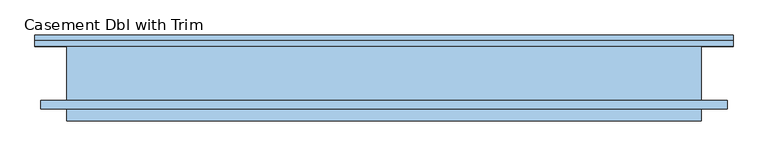
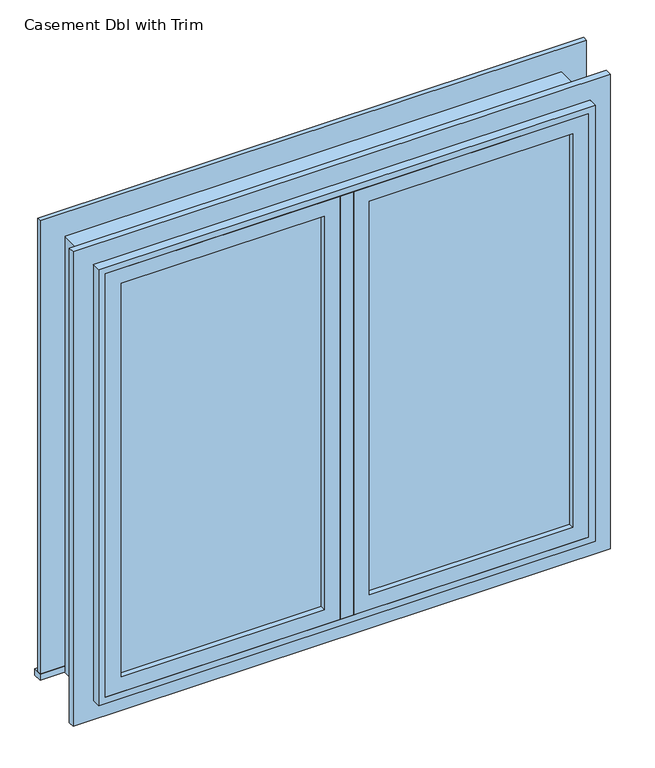
"""IFC4 building model written with IfcOpenShell, lengths in millimetres: window geometry, Casement Dbl with Trim."""

from ifc_helpers import new_model, si_unit, frame, origin, place, context, project, spatial, polyline, outline, extrude, source, transform, mapped, element, save


def casement_dbl_with_trim_30abeba2(model_context):
    return source(origin(), model_context, "Body", "SweptSolid", [
        extrude(outline(polyline([(63.5, -56.825), (636.5, -56.825), (636.5, -69.525), (63.5, -69.525), (63.5, -56.825)])), frame((0.0, 0.0, 977.9), z_axis=(0.0, 0.0, 1.0), x_axis=(1.0, 0.0, 0.0)), (0.0, 0.0, 1.0), 1173.0),
        extrude(outline(polyline([(2195.35, 19.05), (933.45, 19.05), (933.45, 680.95), (2195.35, 680.95), (2195.35, 19.05)]), holes=[polyline([(2150.9, 63.5), (2150.9, 636.5), (977.9, 636.5), (977.9, 63.5), (2150.9, 63.5)])]), frame((0.0, -85.4, 0.0), z_axis=(0.0, 1.0, 0.0), x_axis=(0.0, 0.0, 1.0)), (0.0, 0.0, 1.0), 44.45),
        extrude(outline(polyline([(19.05, -85.4), (-19.05, -85.4), (-19.05, -21.9), (19.05, -21.9), (19.05, -85.4)])), frame((0.0, 0.0, 933.45), z_axis=(0.0, 0.0, 1.0), x_axis=(1.0, 0.0, 0.0)), (0.0, 0.0, 1.0), 1261.9),
        extrude(outline(polyline([(-769.85, 104.45), (769.85, 104.45), (769.85, 79.05), (-769.85, 79.05), (-769.85, 104.45)])), frame((0.0, 0.0, 914.4), z_axis=(0.0, 0.0, 1.0), x_axis=(1.0, 0.0, 0.0)), (0.0, 0.0, 1.0), 19.05),
        extrude(outline(polyline([(2195.35, -680.95), (2195.35, 680.95), (933.45, 680.95), (933.45, 769.85), (2284.25, 769.85), (2284.25, -769.85), (933.45, -769.85), (933.45, -680.95), (2195.35, -680.95)])), frame((0.0, 79.05, 0.0), z_axis=(0.0, 1.0, 0.0), x_axis=(0.0, 0.0, 1.0)), (0.0, 0.0, 1.0), 12.7),
        extrude(outline(polyline([(2271.55, 757.15), (2271.55, -757.15), (857.25, -757.15), (857.25, 757.15), (2271.55, 757.15)]), holes=[polyline([(2182.65, 668.25), (946.15, 668.25), (946.15, -668.25), (2182.65, -668.25), (2182.65, 668.25)])]), frame((0.0, -60.0, 0.0), z_axis=(0.0, 1.0, 0.0), x_axis=(0.0, 0.0, 1.0)), (0.0, 0.0, 1.0), 19.05),
        extrude(outline(polyline([(-63.5, -69.525), (-636.5, -69.525), (-636.5, -56.825), (-63.5, -56.825), (-63.5, -69.525)])), frame((0.0, 0.0, 977.9), z_axis=(0.0, 0.0, 1.0), x_axis=(1.0, 0.0, 0.0)), (0.0, 0.0, 1.0), 1173.0),
        extrude(outline(polyline([(2195.35, -680.95), (933.45, -680.95), (933.45, -19.05), (2195.35, -19.05), (2195.35, -680.95)]), holes=[polyline([(2150.9, -636.5), (2150.9, -63.5), (977.9, -63.5), (977.9, -636.5), (2150.9, -636.5)])]), frame((0.0, -85.4, 0.0), z_axis=(0.0, 1.0, 0.0), x_axis=(0.0, 0.0, 1.0)), (0.0, 0.0, 1.0), 44.45),
        extrude(outline(polyline([(2214.4, -700.0), (914.4, -700.0), (914.4, 700.0), (2214.4, 700.0), (2214.4, -700.0)]), holes=[polyline([(2182.65, -668.25), (2182.65, 668.25), (946.15, 668.25), (946.15, -668.25), (2182.65, -668.25)])]), frame((0.0, -85.4, 0.0), z_axis=(0.0, 1.0, 0.0), x_axis=(0.0, 0.0, 1.0)), (0.0, 0.0, 1.0), 44.45),
        extrude(outline(polyline([(2214.4, 700.0), (2214.4, -700.0), (914.4, -700.0), (914.4, 700.0), (2214.4, 700.0)]), holes=[polyline([(2195.35, 680.95), (933.45, 680.95), (933.45, -680.95), (2195.35, -680.95), (2195.35, 680.95)])]), frame((0.0, -85.4, 0.0), z_axis=(0.0, 1.0, 0.0), x_axis=(0.0, 0.0, 1.0)), (0.0, 0.0, 1.0), 164.45),
    ])


if __name__ == "__main__":
    model = new_model("IFC4")
    model_context = context("Model", 3, world=origin())
    ifc_project = project(units=[si_unit("LENGTHUNIT", "METRE", prefix="MILLI")], contexts=[model_context])
    site = spatial("IfcSite", under=ifc_project)
    building = spatial("IfcBuilding", under=site)
    placement = place(None, origin())
    casement_dbl_with_trim_shape = casement_dbl_with_trim_30abeba2(model_context)
    element("IfcWindow", 1, ObjectType="Casement Dbl with Trim", at=placement, inside=building, context=model_context, shape_type="MappedRepresentation", body=[
        mapped(casement_dbl_with_trim_shape, transform((0.0, 0.0, 0.0), x_axis=(1.0, 0.0, 0.0), y_axis=(0.0, 1.0, 0.0), z_axis=(0.0, 0.0, 1.0))),
    ])
    save(model, "model.ifc")
